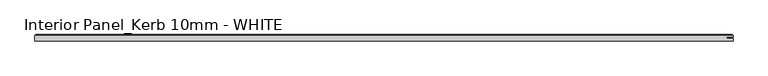
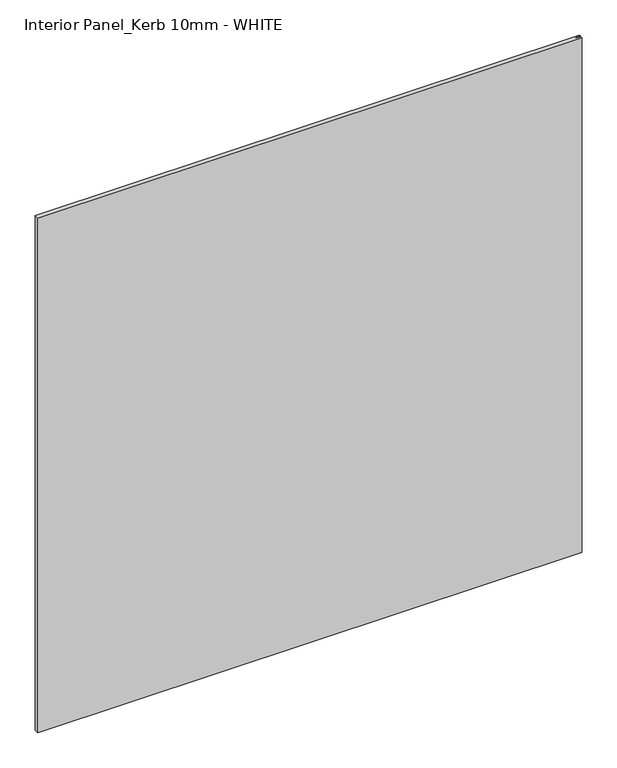
"""IFC4 building model written with IfcOpenShell, lengths in millimetres: proxy geometry, Interior Panel_Kerb 10mm - WHITE."""

from ifc_helpers import new_model, si_unit, origin, place, context, project, spatial, faceted_brep, source, transform, mapped, element, save


def interior_panel_kerb_10mm_white_c30b1b75(model_context):
    return source(origin(), model_context, "Body", "Brep", [
        faceted_brep([(990.6, -3.175, 1063.625), (990.6, 0.5207, 1063.625), (980.7773437, 0.5207, 1063.625), (980.7773437, 2.6543, 1063.625), (990.6, 2.6543, 1063.625), (990.6, 4.7625, 1063.625), (-73.025, 4.7625, 1063.625), (-73.025, -3.175, 1063.625), (990.6, -3.175, 0.0), (-73.025, -3.175, 0.0), (-73.025, 4.7625, 0.0), (990.6, 4.7625, 0.0), (990.6, 2.6543, 0.0), (980.7773437, 2.6543, 0.0), (980.7773437, 0.5207, 0.0), (990.6, 0.5207, 0.0), (-71.4375, 6.35, 1062.0375), (989.0125, 6.35, 1062.0375), (989.0125, 6.35, 1.5875), (-71.4375, 6.35, 1.5875)], [[[0, 1, 2, 3, 4, 5, 6, 7]], [[8, 9, 10, 11, 12, 13, 14, 15]], [[7, 9, 8, 0]], [[6, 10, 9, 7]], [[16, 17, 18, 19]], [[4, 12, 11, 5]], [[6, 16, 19, 10]], [[11, 18, 17, 5]], [[5, 17, 16, 6]], [[10, 19, 18, 11]], [[3, 13, 12, 4]], [[2, 14, 13, 3]], [[1, 15, 14, 2]], [[0, 8, 15, 1]]]),
    ])


if __name__ == "__main__":
    model = new_model("IFC4")
    model_context = context("Model", 3, world=origin())
    ifc_project = project(units=[si_unit("LENGTHUNIT", "METRE", prefix="MILLI")], contexts=[model_context])
    site = spatial("IfcSite", under=ifc_project)
    building = spatial("IfcBuilding", under=site)
    placement = place(None, origin())
    interior_panel_kerb_10mm_white_shape = interior_panel_kerb_10mm_white_c30b1b75(model_context)
    element("IfcBuildingElementProxy", 1, Name="Interior Panel_Kerb 10mm - WHITE", ObjectType="Interior Panel_Kerb 10mm - WHITE", at=placement, inside=building, context=model_context, shape_type="MappedRepresentation", body=[
        mapped(interior_panel_kerb_10mm_white_shape, transform((0.0, 0.0, 0.0), x_axis=(1.0, 0.0, 0.0), y_axis=(0.0, 1.0, 0.0), z_axis=(0.0, 0.0, 1.0))),
    ])
    save(model, "model.ifc")
